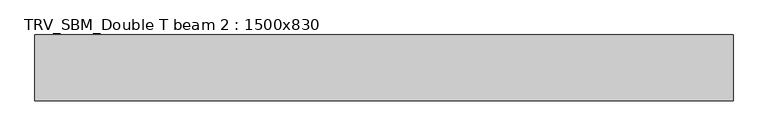
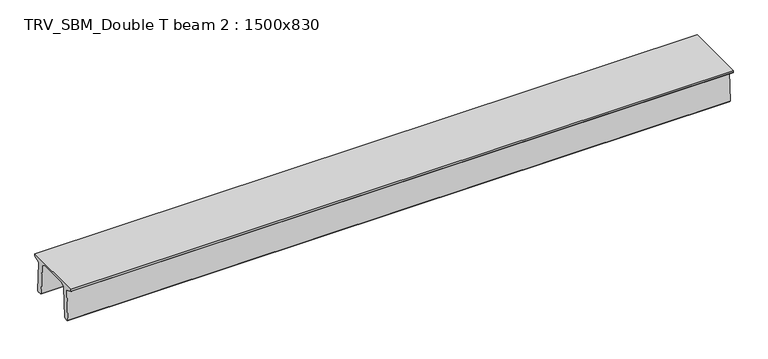
"""IFC4 building model written with IfcOpenShell, lengths in millimetres: beam geometry, TRV_SBM_Double T beam 2 : 1500x830."""

import ifcopenshell
import ifcopenshell.guid

model = None  # the IFC model being written
_history = None  # IfcOwnerHistory: only IFC2X3 demands one
_inside = {}  # id of a spatial element -> (the spatial element, [elements in it])
_under = {}  # id of a project, library or spatial element -> (it, [spatial elements below it])
_declared = {}  # id of a project -> (the project, [libraries it declares])
_typed = {}  # id of a type object -> (the type object, [elements of that type])
_made_of = {}  # id of a material, layer set ... -> (it, [elements and type objects made of it])


def new_model(schema):
    """Start an empty IFC model of exactly this schema.

    Asked for "IFC4X3", IfcOpenShell would pick the latest addendum, in which some entities
    have other attributes; the version numbers below select the first issue.
    IFC2X3 requires an IfcOwnerHistory on every rooted entity: one is made here for all.
    """
    global model, _history
    if schema == "IFC4X3":
        model = ifcopenshell.file(schema_version=(4, 3, 0, 0))
    else:
        model = ifcopenshell.file(schema=schema)
    _inside.clear()
    _under.clear()
    _declared.clear()
    _typed.clear()
    _made_of.clear()
    _history = None
    if model.schema == "IFC2X3":
        org = make("IfcOrganization", Name="unknown")
        user = make(
            "IfcPersonAndOrganization",
            ThePerson=make("IfcPerson", FamilyName="unknown"),
            TheOrganization=org,
        )
        app = make(
            "IfcApplication",
            ApplicationDeveloper=org,
            Version="unknown",
            ApplicationFullName="unknown",
            ApplicationIdentifier="unknown",
        )
        _history = make(
            "IfcOwnerHistory",
            OwningUser=user,
            OwningApplication=app,
            ChangeAction="ADDED",
            CreationDate=0,
        )
    return model


def make(cls, **values):
    """One entity of the class cls with the attributes given. An attribute that is None is left unset."""
    return model.create_entity(
        cls, **{name: value for name, value in values.items() if value is not None}
    )


def rooted(cls, **values):
    """An entity with a GlobalId (a new one), such as an element, a storey or a relation."""
    return make(cls, GlobalId=ifcopenshell.guid.new(), OwnerHistory=_history, **values)


def si_unit(unit_type, name, prefix=None):
    """IfcSIUnit, for example si_unit("LENGTHUNIT", "METRE", prefix="MILLI")."""
    return make("IfcSIUnit", UnitType=unit_type, Prefix=prefix, Name=name)


def assignment(units):
    """IfcUnitAssignment: the units of a project."""
    return None if units is None else make("IfcUnitAssignment", Units=units)


def point(xyz):
    """IfcCartesianPoint."""
    return None if xyz is None else make("IfcCartesianPoint", Coordinates=xyz)


def direction(xyz):
    """IfcDirection."""
    return None if xyz is None else make("IfcDirection", DirectionRatios=xyz)


def frame(location, z_axis=None, x_axis=None):
    """IfcAxis2Placement3D, a coordinate frame: its origin and axes. An axis left out is left unset."""
    return make(
        "IfcAxis2Placement3D",
        Location=point(location),
        Axis=direction(z_axis),
        RefDirection=direction(x_axis),
    )


def origin():
    """The frame at (0, 0, 0) with its axes left unset."""
    return frame((0.0, 0.0, 0.0))


def place(relative_to, where):
    """IfcLocalPlacement: puts the frame where relative to a parent placement (None: the world)."""
    return make(
        "IfcLocalPlacement", PlacementRelTo=relative_to, RelativePlacement=where
    )


def context(
    kind, dimensions, precision=None, world=None, true_north=None, identifier=None
):
    """IfcGeometricRepresentationContext, for example the 3D "Model" context."""
    return make(
        "IfcGeometricRepresentationContext",
        ContextIdentifier=identifier,
        ContextType=kind,
        CoordinateSpaceDimension=dimensions,
        Precision=precision,
        WorldCoordinateSystem=world,
        TrueNorth=true_north,
    )


def project(units=None, contexts=None):
    """IfcProject with its units and contexts."""
    return rooted(
        "IfcProject",
        Name="project",
        RepresentationContexts=contexts,
        UnitsInContext=assignment(units),
    )


def spatial(cls, under=None, at=None, **own):
    """A site, building, storey or space (cls), placed at a placement, below another one or the project."""
    s = rooted(cls, ObjectPlacement=at, **own)
    if under is not None:
        _under.setdefault(under.id(), (under, []))[1].append(s)
    return s


def polyline(points):
    """IfcPolyline through the points."""
    return make("IfcPolyline", Points=[point(p) for p in points])


def outline(outer, holes=None, kind="AREA"):
    """IfcArbitraryClosedProfileDef: a profile drawn as a closed curve; with holes, ...WithVoids."""
    if holes is None:
        return make("IfcArbitraryClosedProfileDef", ProfileType=kind, OuterCurve=outer)
    return make(
        "IfcArbitraryProfileDefWithVoids",
        ProfileType=kind,
        OuterCurve=outer,
        InnerCurves=holes,
    )


def extrude(swept, where, along, depth):
    """IfcExtrudedAreaSolid: the profile swept, set in the frame where, extruded along a direction by depth."""
    return make(
        "IfcExtrudedAreaSolid",
        SweptArea=swept,
        Position=where,
        ExtrudedDirection=direction(along),
        Depth=depth,
    )


def shape(context_of_items, identifier, shape_type, items):
    """IfcShapeRepresentation: the items that make up one representation, for example the "Body"."""
    return make(
        "IfcShapeRepresentation",
        ContextOfItems=context_of_items,
        RepresentationIdentifier=identifier,
        RepresentationType=shape_type,
        Items=items,
    )


def source(mapping_origin, context_of_items, identifier, shape_type, items):
    """IfcRepresentationMap: a shape defined once, which mapped items show again and again."""
    return make(
        "IfcRepresentationMap",
        MappingOrigin=mapping_origin,
        MappedRepresentation=shape(context_of_items, identifier, shape_type, items),
    )


def transform(
    local_origin,
    x_axis=None,
    y_axis=None,
    z_axis=None,
    scale=None,
    scale2=None,
    scale3=None,
    uniform=True,
):
    """IfcCartesianTransformationOperator3D, or its non-uniform kind. x_axis, y_axis, z_axis: its Axis1, 2, 3."""
    if uniform:
        return make(
            "IfcCartesianTransformationOperator3D",
            Axis1=direction(x_axis),
            Axis2=direction(y_axis),
            LocalOrigin=point(local_origin),
            Scale=scale,
            Axis3=direction(z_axis),
        )
    return make(
        "IfcCartesianTransformationOperator3DnonUniform",
        Axis1=direction(x_axis),
        Axis2=direction(y_axis),
        LocalOrigin=point(local_origin),
        Scale=scale,
        Axis3=direction(z_axis),
        Scale2=scale2,
        Scale3=scale3,
    )


def mapped(mapping_source, mapping_target):
    """IfcMappedItem: shows the shape of a source again, moved by a transform."""
    return make(
        "IfcMappedItem", MappingSource=mapping_source, MappingTarget=mapping_target
    )


def made_of(thing, what):
    """Note that an element or type object is made of a material, layer set ...; save() writes the relation."""
    if what is not None:
        _made_of.setdefault(what.id(), (what, []))[1].append(thing)
    return thing


def element(
    cls,
    number,
    at=None,
    inside=None,
    cuts=None,
    type_object=None,
    material=None,
    context=None,
    identifier="Body",
    shape_type=None,
    held_by="IfcProductDefinitionShape",
    body=None,
    shapes=None,
    **own,
):
    """One element of the class cls, such as IfcWall. Its Tag is "e" and its number.

    at: its placement. inside: the storey or other place that contains it. cuts: it is an
    opening in that element (IfcRelVoidsElement). A single representation is given by context,
    identifier, shape_type and body (its items); several are given by shapes. held_by: the class
    of the entity that holds the representations. save() writes the other relations.
    """
    e = rooted(cls, Tag="e%d" % number, ObjectPlacement=at, **own)
    if body is not None:
        shapes = [shape(context, identifier, shape_type, body)]
    if shapes is not None:
        e.Representation = make(held_by, Representations=shapes)
    if inside is not None:
        _inside.setdefault(inside.id(), (inside, []))[1].append(e)
    if cuts is not None:
        rooted(
            "IfcRelVoidsElement", RelatingBuildingElement=cuts, RelatedOpeningElement=e
        )
    if type_object is not None:
        _typed.setdefault(type_object.id(), (type_object, []))[1].append(e)
    return made_of(e, material)


def aggregate(whole, parts):
    """IfcRelAggregates: a whole, such as a stair, and the parts it consists of."""
    return rooted("IfcRelAggregates", RelatingObject=whole, RelatedObjects=parts)


def save(model, path):
    """Write the relations noted so far, then the file.

    IfcRelAggregates (storeys below a building ...), IfcRelContainedInSpatialStructure (elements
    in a storey), IfcRelDefinesByType, IfcRelAssociatesMaterial and IfcRelDeclares: one each for
    every whole, place, type object, material and project.
    """
    for whole, parts in _under.values():
        aggregate(whole, parts)
    for where, things in _inside.values():
        rooted(
            "IfcRelContainedInSpatialStructure",
            RelatedElements=things,
            RelatingStructure=where,
        )
    for kind, things in _typed.values():
        rooted("IfcRelDefinesByType", RelatedObjects=things, RelatingType=kind)
    for what, things in _made_of.values():
        rooted("IfcRelAssociatesMaterial", RelatedObjects=things, RelatingMaterial=what)
    for by, libraries in _declared.values():
        rooted("IfcRelDeclares", RelatingContext=by, RelatedDefinitions=libraries)
    model.write(path)


def trv_sbm_double_t_beam_2_1500x830_1ce19f86(model_context):
    return source(origin(), model_context, "Body", "SweptSolid", [
        extrude(outline(polyline([(337.4555014, 470.0), (-343.4555014, 470.0), (-456.5828437, 409.8491251), (-494.786332, -340.5206011), (-514.2657308, -360.0), (-604.2657308, -360.0), (-624.8277662, -339.4379646), (-586.9373878, 401.9654693), (-752.8511046, 468.9989621), (-753.0, 475.0), (-753.0, 520.0), (747.0, 520.0), (747.0, 475.0), (746.8511046, 468.9989621), (580.9373878, 401.9654693), (618.8277662, -339.4379646), (598.2657308, -360.0), (508.2657308, -360.0), (488.786332, -340.5206011), (450.5828437, 409.8491251), (337.4555014, 470.0)])), frame((-7927.0, 0.0, 0.0), z_axis=(1.0, 0.0, 0.0), x_axis=(0.0, 1.0, 0.0)), (0.0, 0.0, 1.0), 15931.0),
    ])


if __name__ == "__main__":
    model = new_model("IFC4")
    model_context = context("Model", 3, world=origin())
    ifc_project = project(units=[si_unit("LENGTHUNIT", "METRE", prefix="MILLI")], contexts=[model_context])
    site = spatial("IfcSite", under=ifc_project)
    building = spatial("IfcBuilding", under=site)
    placement = place(None, origin())
    trv_sbm_double_t_beam_2_1500x830_shape = trv_sbm_double_t_beam_2_1500x830_1ce19f86(model_context)
    element("IfcBeam", 1, ObjectType="TRV_SBM_Double T beam 2 : 1500x830", at=placement, inside=building, context=model_context, shape_type="MappedRepresentation", body=[
        mapped(trv_sbm_double_t_beam_2_1500x830_shape, transform((0.0, 0.0, 0.0), x_axis=(1.0, 0.0, 0.0), y_axis=(0.0, 1.0, 0.0), z_axis=(0.0, 0.0, 1.0))),
    ])
    save(model, "model.ifc")
